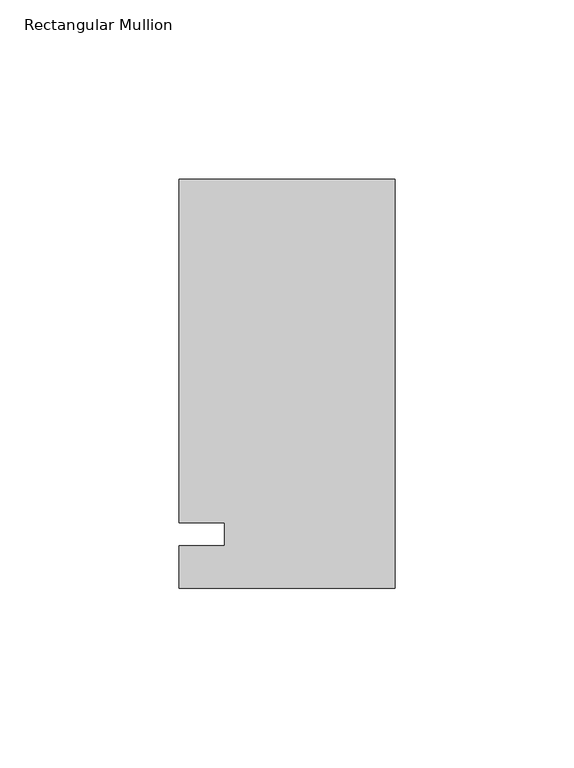
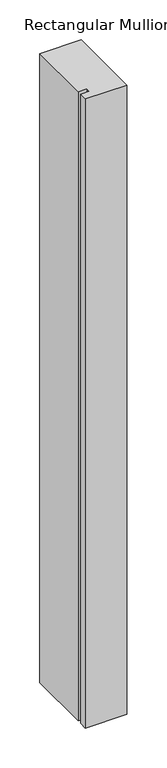
"""IFC4 building model written with IfcOpenShell, lengths in millimetres: member geometry, Rectangular Mullion."""

from ifc_helpers import new_model, si_unit, frame, origin, place, context, project, spatial, polyline, outline, extrude, source, transform, mapped, element, save


def rectangular_mullion_b8c27063(model_context):
    return source(origin(), model_context, "Body", "SweptSolid", [
        extrude(outline(polyline([(-60.325, 99.21875), (0.0, 99.21875), (0.0, -15.08125), (-60.325, -15.08125), (-60.325, -3.175), (-47.6232296, -3.175), (-47.6232296, 3.175), (-60.325, 3.175), (-60.325, 99.21875)])), frame((0.0, 0.0, -965.2), z_axis=(0.0, 0.0, 1.0), x_axis=(1.0, 0.0, 0.0)), (0.0, 0.0, 1.0), 965.2),
    ])


if __name__ == "__main__":
    model = new_model("IFC4")
    model_context = context("Model", 3, world=origin())
    ifc_project = project(units=[si_unit("LENGTHUNIT", "METRE", prefix="MILLI")], contexts=[model_context])
    site = spatial("IfcSite", under=ifc_project)
    building = spatial("IfcBuilding", under=site)
    placement = place(None, origin())
    rectangular_mullion_shape = rectangular_mullion_b8c27063(model_context)
    element("IfcMember", 1, ObjectType="Rectangular Mullion", at=placement, inside=building, context=model_context, shape_type="MappedRepresentation", body=[
        mapped(rectangular_mullion_shape, transform((0.0, 0.0, 0.0), x_axis=(1.0, 0.0, 0.0), y_axis=(0.0, 1.0, 0.0), z_axis=(0.0, 0.0, 1.0))),
    ])
    save(model, "model.ifc")
